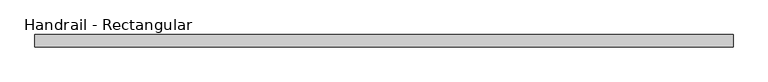
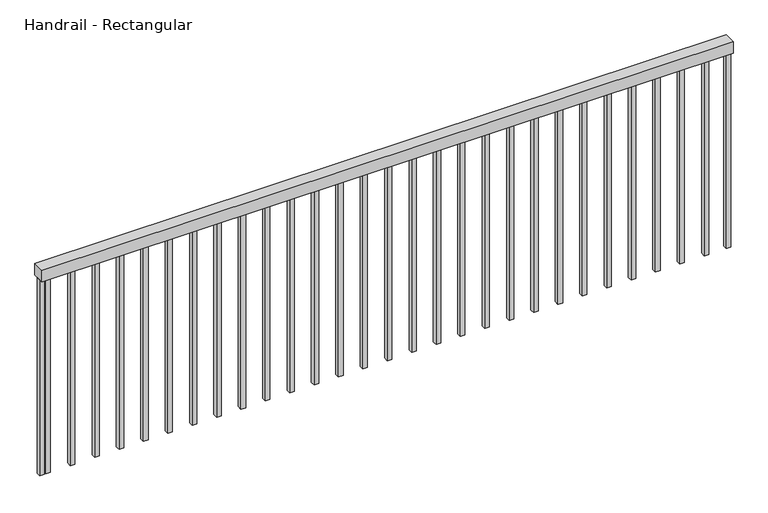
"""IFC4 building model written with IfcOpenShell, lengths in millimetres: railing geometry, Handrail - Rectangular."""

from ifc_helpers import new_model, si_unit, frame, origin, place, context, project, spatial, polyline, outline, extrude, source, transform, mapped, element, save


def handrail_rectangular_30fde35b(model_context):
    return source(origin(), model_context, "Body", "SweptSolid", [
        extrude(outline(polyline([(-3921.3924997, -535.8529843), (-3921.3924997, -586.6529843), (-6801.3924997, -586.6529843), (-6801.3924997, -535.8529843), (-3921.3924997, -535.8529843)])), frame((0.0, 0.0, 1263.6), z_axis=(0.0, 0.0, 1.0), x_axis=(1.0, 0.0, 0.0)), (0.0, 0.0, 1.0), 50.8),
        extrude(outline(polyline([(-6756.6674997, -551.7279843), (-6756.6674997, -570.7779843), (-6775.7174997, -570.7779843), (-6775.7174997, -551.7279843), (-6756.6674997, -551.7279843)])), frame((0.0, 0.0, 400.0), z_axis=(0.0, 0.0, 1.0), x_axis=(1.0, 0.0, 0.0)), (0.0, 0.0, 1.0), 863.6),
        extrude(outline(polyline([(-6655.0674997, -551.7279843), (-6655.0674997, -570.7779843), (-6674.1174997, -570.7779843), (-6674.1174997, -551.7279843), (-6655.0674997, -551.7279843)])), frame((0.0, 0.0, 400.0), z_axis=(0.0, 0.0, 1.0), x_axis=(1.0, 0.0, 0.0)), (0.0, 0.0, 1.0), 863.6),
        extrude(outline(polyline([(-6553.4674997, -551.7279843), (-6553.4674997, -570.7779843), (-6572.5174997, -570.7779843), (-6572.5174997, -551.7279843), (-6553.4674997, -551.7279843)])), frame((0.0, 0.0, 400.0), z_axis=(0.0, 0.0, 1.0), x_axis=(1.0, 0.0, 0.0)), (0.0, 0.0, 1.0), 863.6),
        extrude(outline(polyline([(-6451.8674997, -551.7279843), (-6451.8674997, -570.7779843), (-6470.9174997, -570.7779843), (-6470.9174997, -551.7279843), (-6451.8674997, -551.7279843)])), frame((0.0, 0.0, 400.0), z_axis=(0.0, 0.0, 1.0), x_axis=(1.0, 0.0, 0.0)), (0.0, 0.0, 1.0), 863.6),
        extrude(outline(polyline([(-6350.2674997, -551.7279843), (-6350.2674997, -570.7779843), (-6369.3174997, -570.7779843), (-6369.3174997, -551.7279843), (-6350.2674997, -551.7279843)])), frame((0.0, 0.0, 400.0), z_axis=(0.0, 0.0, 1.0), x_axis=(1.0, 0.0, 0.0)), (0.0, 0.0, 1.0), 863.6),
        extrude(outline(polyline([(-6248.6674997, -551.7279843), (-6248.6674997, -570.7779843), (-6267.7174997, -570.7779843), (-6267.7174997, -551.7279843), (-6248.6674997, -551.7279843)])), frame((0.0, 0.0, 400.0), z_axis=(0.0, 0.0, 1.0), x_axis=(1.0, 0.0, 0.0)), (0.0, 0.0, 1.0), 863.6),
        extrude(outline(polyline([(-6147.0674997, -551.7279843), (-6147.0674997, -570.7779843), (-6166.1174997, -570.7779843), (-6166.1174997, -551.7279843), (-6147.0674997, -551.7279843)])), frame((0.0, 0.0, 400.0), z_axis=(0.0, 0.0, 1.0), x_axis=(1.0, 0.0, 0.0)), (0.0, 0.0, 1.0), 863.6),
        extrude(outline(polyline([(-6045.4674997, -551.7279843), (-6045.4674997, -570.7779843), (-6064.5174997, -570.7779843), (-6064.5174997, -551.7279843), (-6045.4674997, -551.7279843)])), frame((0.0, 0.0, 400.0), z_axis=(0.0, 0.0, 1.0), x_axis=(1.0, 0.0, 0.0)), (0.0, 0.0, 1.0), 863.6),
        extrude(outline(polyline([(-5943.8674997, -551.7279843), (-5943.8674997, -570.7779843), (-5962.9174997, -570.7779843), (-5962.9174997, -551.7279843), (-5943.8674997, -551.7279843)])), frame((0.0, 0.0, 400.0), z_axis=(0.0, 0.0, 1.0), x_axis=(1.0, 0.0, 0.0)), (0.0, 0.0, 1.0), 863.6),
        extrude(outline(polyline([(-5842.2674997, -551.7279843), (-5842.2674997, -570.7779843), (-5861.3174997, -570.7779843), (-5861.3174997, -551.7279843), (-5842.2674997, -551.7279843)])), frame((0.0, 0.0, 400.0), z_axis=(0.0, 0.0, 1.0), x_axis=(1.0, 0.0, 0.0)), (0.0, 0.0, 1.0), 863.6),
        extrude(outline(polyline([(-5740.6674997, -551.7279843), (-5740.6674997, -570.7779843), (-5759.7174997, -570.7779843), (-5759.7174997, -551.7279843), (-5740.6674997, -551.7279843)])), frame((0.0, 0.0, 400.0), z_axis=(0.0, 0.0, 1.0), x_axis=(1.0, 0.0, 0.0)), (0.0, 0.0, 1.0), 863.6),
        extrude(outline(polyline([(-5639.0674997, -551.7279843), (-5639.0674997, -570.7779843), (-5658.1174997, -570.7779843), (-5658.1174997, -551.7279843), (-5639.0674997, -551.7279843)])), frame((0.0, 0.0, 400.0), z_axis=(0.0, 0.0, 1.0), x_axis=(1.0, 0.0, 0.0)), (0.0, 0.0, 1.0), 863.6),
        extrude(outline(polyline([(-5537.4674997, -551.7279843), (-5537.4674997, -570.7779843), (-5556.5174997, -570.7779843), (-5556.5174997, -551.7279843), (-5537.4674997, -551.7279843)])), frame((0.0, 0.0, 400.0), z_axis=(0.0, 0.0, 1.0), x_axis=(1.0, 0.0, 0.0)), (0.0, 0.0, 1.0), 863.6),
        extrude(outline(polyline([(-5435.8674997, -551.7279843), (-5435.8674997, -570.7779843), (-5454.9174997, -570.7779843), (-5454.9174997, -551.7279843), (-5435.8674997, -551.7279843)])), frame((0.0, 0.0, 400.0), z_axis=(0.0, 0.0, 1.0), x_axis=(1.0, 0.0, 0.0)), (0.0, 0.0, 1.0), 863.6),
        extrude(outline(polyline([(-5334.2674997, -551.7279843), (-5334.2674997, -570.7779843), (-5353.3174997, -570.7779843), (-5353.3174997, -551.7279843), (-5334.2674997, -551.7279843)])), frame((0.0, 0.0, 400.0), z_axis=(0.0, 0.0, 1.0), x_axis=(1.0, 0.0, 0.0)), (0.0, 0.0, 1.0), 863.6),
        extrude(outline(polyline([(-5232.6674997, -551.7279843), (-5232.6674997, -570.7779843), (-5251.7174997, -570.7779843), (-5251.7174997, -551.7279843), (-5232.6674997, -551.7279843)])), frame((0.0, 0.0, 400.0), z_axis=(0.0, 0.0, 1.0), x_axis=(1.0, 0.0, 0.0)), (0.0, 0.0, 1.0), 863.6),
        extrude(outline(polyline([(-5131.0674997, -551.7279843), (-5131.0674997, -570.7779843), (-5150.1174997, -570.7779843), (-5150.1174997, -551.7279843), (-5131.0674997, -551.7279843)])), frame((0.0, 0.0, 400.0), z_axis=(0.0, 0.0, 1.0), x_axis=(1.0, 0.0, 0.0)), (0.0, 0.0, 1.0), 863.6),
        extrude(outline(polyline([(-5029.4674997, -551.7279843), (-5029.4674997, -570.7779843), (-5048.5174997, -570.7779843), (-5048.5174997, -551.7279843), (-5029.4674997, -551.7279843)])), frame((0.0, 0.0, 400.0), z_axis=(0.0, 0.0, 1.0), x_axis=(1.0, 0.0, 0.0)), (0.0, 0.0, 1.0), 863.6),
        extrude(outline(polyline([(-4927.8674997, -551.7279843), (-4927.8674997, -570.7779843), (-4946.9174997, -570.7779843), (-4946.9174997, -551.7279843), (-4927.8674997, -551.7279843)])), frame((0.0, 0.0, 400.0), z_axis=(0.0, 0.0, 1.0), x_axis=(1.0, 0.0, 0.0)), (0.0, 0.0, 1.0), 863.6),
        extrude(outline(polyline([(-4826.2674997, -551.7279843), (-4826.2674997, -570.7779843), (-4845.3174997, -570.7779843), (-4845.3174997, -551.7279843), (-4826.2674997, -551.7279843)])), frame((0.0, 0.0, 400.0), z_axis=(0.0, 0.0, 1.0), x_axis=(1.0, 0.0, 0.0)), (0.0, 0.0, 1.0), 863.6),
        extrude(outline(polyline([(-4724.6674997, -551.7279843), (-4724.6674997, -570.7779843), (-4743.7174997, -570.7779843), (-4743.7174997, -551.7279843), (-4724.6674997, -551.7279843)])), frame((0.0, 0.0, 400.0), z_axis=(0.0, 0.0, 1.0), x_axis=(1.0, 0.0, 0.0)), (0.0, 0.0, 1.0), 863.6),
        extrude(outline(polyline([(-4623.0674997, -551.7279843), (-4623.0674997, -570.7779843), (-4642.1174997, -570.7779843), (-4642.1174997, -551.7279843), (-4623.0674997, -551.7279843)])), frame((0.0, 0.0, 400.0), z_axis=(0.0, 0.0, 1.0), x_axis=(1.0, 0.0, 0.0)), (0.0, 0.0, 1.0), 863.6),
        extrude(outline(polyline([(-4521.4674997, -551.7279843), (-4521.4674997, -570.7779843), (-4540.5174997, -570.7779843), (-4540.5174997, -551.7279843), (-4521.4674997, -551.7279843)])), frame((0.0, 0.0, 400.0), z_axis=(0.0, 0.0, 1.0), x_axis=(1.0, 0.0, 0.0)), (0.0, 0.0, 1.0), 863.6),
        extrude(outline(polyline([(-4419.8674997, -551.7279843), (-4419.8674997, -570.7779843), (-4438.9174997, -570.7779843), (-4438.9174997, -551.7279843), (-4419.8674997, -551.7279843)])), frame((0.0, 0.0, 400.0), z_axis=(0.0, 0.0, 1.0), x_axis=(1.0, 0.0, 0.0)), (0.0, 0.0, 1.0), 863.6),
        extrude(outline(polyline([(-4318.2674997, -551.7279843), (-4318.2674997, -570.7779843), (-4337.3174997, -570.7779843), (-4337.3174997, -551.7279843), (-4318.2674997, -551.7279843)])), frame((0.0, 0.0, 400.0), z_axis=(0.0, 0.0, 1.0), x_axis=(1.0, 0.0, 0.0)), (0.0, 0.0, 1.0), 863.6),
        extrude(outline(polyline([(-4216.6674997, -551.7279843), (-4216.6674997, -570.7779843), (-4235.7174997, -570.7779843), (-4235.7174997, -551.7279843), (-4216.6674997, -551.7279843)])), frame((0.0, 0.0, 400.0), z_axis=(0.0, 0.0, 1.0), x_axis=(1.0, 0.0, 0.0)), (0.0, 0.0, 1.0), 863.6),
        extrude(outline(polyline([(-4115.0674997, -551.7279843), (-4115.0674997, -570.7779843), (-4134.1174997, -570.7779843), (-4134.1174997, -551.7279843), (-4115.0674997, -551.7279843)])), frame((0.0, 0.0, 400.0), z_axis=(0.0, 0.0, 1.0), x_axis=(1.0, 0.0, 0.0)), (0.0, 0.0, 1.0), 863.6),
        extrude(outline(polyline([(-4013.4674997, -551.7279843), (-4013.4674997, -570.7779843), (-4032.5174997, -570.7779843), (-4032.5174997, -551.7279843), (-4013.4674997, -551.7279843)])), frame((0.0, 0.0, 400.0), z_axis=(0.0, 0.0, 1.0), x_axis=(1.0, 0.0, 0.0)), (0.0, 0.0, 1.0), 863.6),
        extrude(outline(polyline([(-6782.3424997, -551.7279843), (-6782.3424997, -570.7779843), (-6801.3924997, -570.7779843), (-6801.3924997, -551.7279843), (-6782.3424997, -551.7279843)])), frame((0.0, 0.0, 400.0), z_axis=(0.0, 0.0, 1.0), x_axis=(1.0, 0.0, 0.0)), (0.0, 0.0, 1.0), 863.6),
        extrude(outline(polyline([(-3921.3924997, -551.7279843), (-3921.3924997, -570.7779843), (-3940.4424997, -570.7779843), (-3940.4424997, -551.7279843), (-3921.3924997, -551.7279843)])), frame((0.0, 0.0, 400.0), z_axis=(0.0, 0.0, 1.0), x_axis=(1.0, 0.0, 0.0)), (0.0, 0.0, 1.0), 863.6),
    ])


if __name__ == "__main__":
    model = new_model("IFC4")
    model_context = context("Model", 3, world=origin())
    ifc_project = project(units=[si_unit("LENGTHUNIT", "METRE", prefix="MILLI")], contexts=[model_context])
    site = spatial("IfcSite", under=ifc_project)
    building = spatial("IfcBuilding", under=site)
    placement = place(None, origin())
    handrail_rectangular_shape = handrail_rectangular_30fde35b(model_context)
    element("IfcRailing", 1, ObjectType="Handrail - Rectangular", at=placement, inside=building, context=model_context, shape_type="MappedRepresentation", body=[
        mapped(handrail_rectangular_shape, transform((0.0, 0.0, 0.0), x_axis=(1.0, 0.0, 0.0), y_axis=(0.0, 1.0, 0.0), z_axis=(0.0, 0.0, 1.0))),
    ])
    save(model, "model.ifc")
